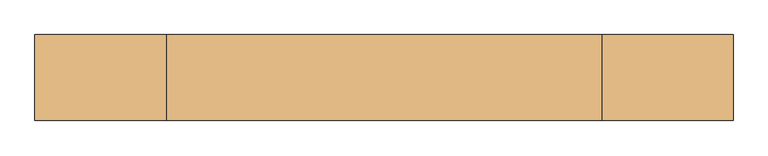
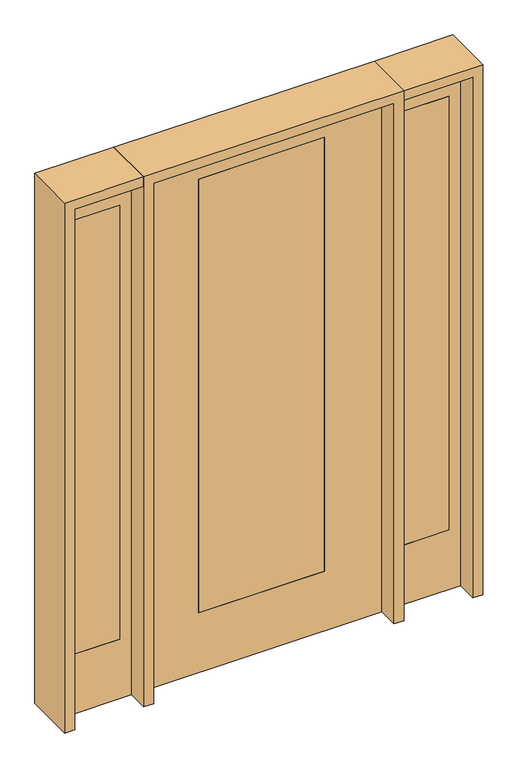
"""IFC4 building model written with IfcOpenShell, lengths in millimetres: door geometry."""

from ifc_helpers import new_model, si_unit, frame, origin, place, context, project, spatial, polyline, outline, extrude, source, transform, mapped, element, save


def door_7fbe3cfe(model_context):
    return source(origin(), model_context, "Body", "SweptSolid", [
        extrude(outline(polyline([(628.65, -20.6375), (628.65, 20.6375), (831.85, 20.6375), (831.85, -20.6375), (628.65, -20.6375)])), frame((0.0, 0.0, 279.4), z_axis=(0.0, 0.0, 1.0), x_axis=(1.0, 0.0, 0.0)), (0.0, 0.0, 1.0), 2032.0),
        extrude(outline(polyline([(0.0, 882.65), (2438.4, 882.65), (2438.4, 577.85), (0.0, 577.85), (0.0, 882.65)]), holes=[polyline([(2311.4, 628.65), (2311.4, 831.85), (279.4, 831.85), (279.4, 628.65), (2311.4, 628.65)])]), frame((0.0, -20.6375, 0.0), z_axis=(0.0, 1.0, 0.0), x_axis=(0.0, 0.0, 1.0)), (0.0, 0.0, 1.0), 41.275),
        extrude(outline(polyline([(-628.65, -20.6375), (-831.85, -20.6375), (-831.85, 20.6375), (-628.65, 20.6375), (-628.65, -20.6375)])), frame((0.0, 0.0, 279.4), z_axis=(0.0, 0.0, 1.0), x_axis=(1.0, 0.0, 0.0)), (0.0, 0.0, 1.0), 2032.0),
        extrude(outline(polyline([(0.0, -882.65), (0.0, -577.85), (2438.4, -577.85), (2438.4, -882.65), (0.0, -882.65)]), holes=[polyline([(2311.4, -628.65), (279.4, -628.65), (279.4, -831.85), (2311.4, -831.85), (2311.4, -628.65)])]), frame((0.0, -20.6375, 0.0), z_axis=(0.0, 1.0, 0.0), x_axis=(0.0, 0.0, 1.0)), (0.0, 0.0, 1.0), 41.275),
        extrude(outline(polyline([(2438.4, 533.4), (2438.4, -533.4), (0.0, -533.4), (0.0, 533.4), (2438.4, 533.4)]), holes=[polyline([(279.4, 279.4), (279.4, -279.4), (2311.4, -279.4), (2311.4, 279.4), (279.4, 279.4)])]), frame((0.0, -20.6375, 0.0), z_axis=(0.0, 1.0, 0.0), x_axis=(0.0, 0.0, 1.0)), (0.0, 0.0, 1.0), 41.275),
        extrude(outline(polyline([(279.4, -20.6375), (-279.4, -20.6375), (-279.4, 20.6375), (279.4, 20.6375), (279.4, -20.6375)])), frame((0.0, 0.0, 279.4), z_axis=(0.0, 0.0, 1.0), x_axis=(1.0, 0.0, 0.0)), (0.0, 0.0, 1.0), 2032.0),
        extrude(outline(polyline([(2438.4, -577.85), (2482.85, -577.85), (2482.85, -927.1), (0.0, -927.1), (0.0, -882.65), (2438.4, -882.65), (2438.4, -577.85)])), frame((0.0, -114.3, 0.0), z_axis=(0.0, 1.0, 0.0), x_axis=(0.0, 0.0, 1.0)), (0.0, 0.0, 1.0), 228.6),
        extrude(outline(polyline([(2482.85, -577.85), (0.0, -577.85), (0.0, -533.4), (2438.4, -533.4), (2438.4, 533.4), (0.0, 533.4), (0.0, 577.85), (2482.85, 577.85), (2482.85, -577.85)])), frame((0.0, -114.3, 0.0), z_axis=(0.0, 1.0, 0.0), x_axis=(0.0, 0.0, 1.0)), (0.0, 0.0, 1.0), 228.6),
        extrude(outline(polyline([(0.0, 882.65), (0.0, 927.1), (2482.85, 927.1), (2482.85, 577.85), (2438.4, 577.85), (2438.4, 882.65), (0.0, 882.65)])), frame((0.0, -114.3, 0.0), z_axis=(0.0, 1.0, 0.0), x_axis=(0.0, 0.0, 1.0)), (0.0, 0.0, 1.0), 228.6),
    ])


if __name__ == "__main__":
    model = new_model("IFC4")
    model_context = context("Model", 3, world=origin())
    ifc_project = project(units=[si_unit("LENGTHUNIT", "METRE", prefix="MILLI")], contexts=[model_context])
    site = spatial("IfcSite", under=ifc_project)
    building = spatial("IfcBuilding", under=site)
    placement = place(None, origin())
    door_shape = door_7fbe3cfe(model_context)
    element("IfcDoor", 1, at=placement, inside=building, context=model_context, shape_type="MappedRepresentation", body=[
        mapped(door_shape, transform((0.0, 0.0, 0.0), x_axis=(1.0, 0.0, 0.0), y_axis=(0.0, 1.0, 0.0), z_axis=(0.0, 0.0, 1.0))),
    ])
    save(model, "model.ifc")
